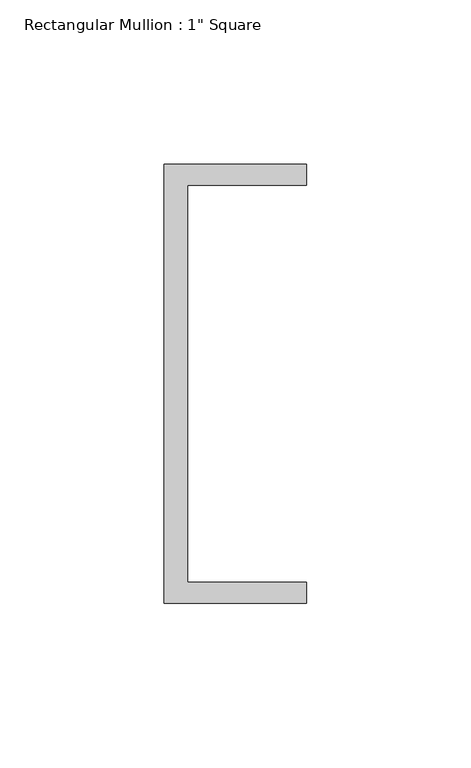
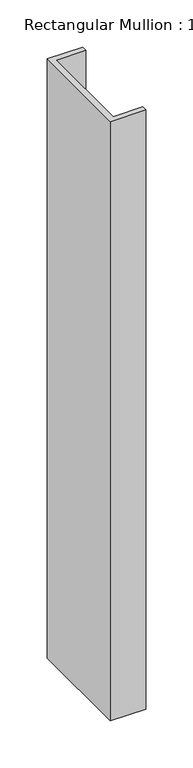
"""IFC4 building model written with IfcOpenShell, lengths in millimetres: member geometry."""

from ifc_helpers import new_model, si_unit, frame, origin, place, context, project, spatial, polyline, outline, extrude, source, transform, mapped, element, save


def member_f92c4515(model_context):
    return source(origin(), model_context, "Body", "SweptSolid", [
        extrude(outline(polyline([(-18.6549463, 135.2608739), (24.5675083, 135.2608739), (24.5675083, 128.9108739), (-11.6110886, 128.9108739), (-11.6110886, 8.2608739), (24.5675083, 8.2608739), (24.5675083, 1.9108739), (-18.6549463, 1.9108739), (-18.6549463, 135.2608739)])), frame((0.0, 0.0, -773.6039876), z_axis=(0.0, 0.0, 1.0), x_axis=(1.0, 0.0, 0.0)), (0.0, 0.0, 1.0), 773.6039876),
    ])


if __name__ == "__main__":
    model = new_model("IFC4")
    model_context = context("Model", 3, world=origin())
    ifc_project = project(units=[si_unit("LENGTHUNIT", "METRE", prefix="MILLI")], contexts=[model_context])
    site = spatial("IfcSite", under=ifc_project)
    building = spatial("IfcBuilding", under=site)
    placement = place(None, origin())
    member_shape = member_f92c4515(model_context)
    element("IfcMember", 1, ObjectType="Rectangular Mullion : 1\" Square", at=placement, inside=building, context=model_context, shape_type="MappedRepresentation", body=[
        mapped(member_shape, transform((0.0, 0.0, 0.0), x_axis=(1.0, 0.0, 0.0), y_axis=(0.0, 1.0, 0.0), z_axis=(0.0, 0.0, 1.0))),
    ])
    save(model, "model.ifc")
